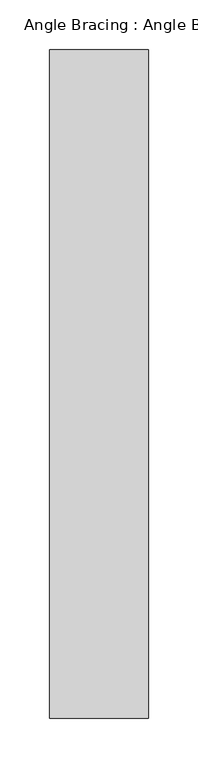
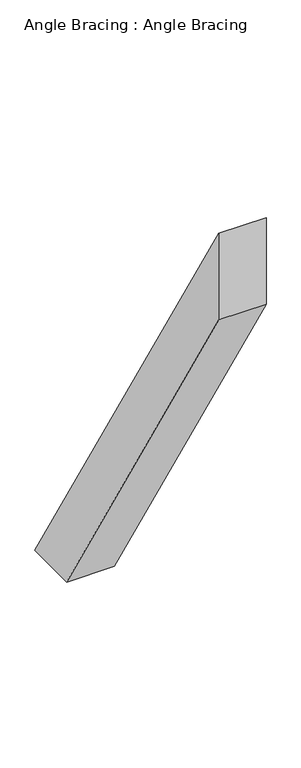
"""IFC4 building model written with IfcOpenShell, lengths in millimetres: proxy geometry, Angle Bracing : Angle Bracing."""

from ifc_helpers import new_model, si_unit, frame, origin, place, context, project, spatial, polyline, outline, extrude, source, transform, mapped, element, save


def angle_bracing_angle_bracing_c5aacf0f(model_context):
    return source(origin(), model_context, "Body", "SweptSolid", [
        extrude(outline(polyline([(-1883.3789222, 800.0), (-1209.4994731, -318.0), (-1326.260464, -318.0), (-1883.3789222, 606.2876261), (-1883.3789222, 800.0)])), frame((1271.1801897, 0.0, 0.0), z_axis=(1.0, 0.0, 0.0), x_axis=(0.0, 1.0, 0.0)), (0.0, 0.0, 1.0), 100.0),
    ])


if __name__ == "__main__":
    model = new_model("IFC4")
    model_context = context("Model", 3, world=origin())
    ifc_project = project(units=[si_unit("LENGTHUNIT", "METRE", prefix="MILLI")], contexts=[model_context])
    site = spatial("IfcSite", under=ifc_project)
    building = spatial("IfcBuilding", under=site)
    placement = place(None, origin())
    angle_bracing_angle_bracing_shape = angle_bracing_angle_bracing_c5aacf0f(model_context)
    element("IfcBuildingElementProxy", 1, Name="Angle Bracing : Angle Bracing", ObjectType="Angle Bracing : Angle Bracing", at=placement, inside=building, context=model_context, shape_type="MappedRepresentation", body=[
        mapped(angle_bracing_angle_bracing_shape, transform((0.0, 0.0, 0.0), x_axis=(1.0, 0.0, 0.0), y_axis=(0.0, 1.0, 0.0), z_axis=(0.0, 0.0, 1.0))),
    ])
    save(model, "model.ifc")
